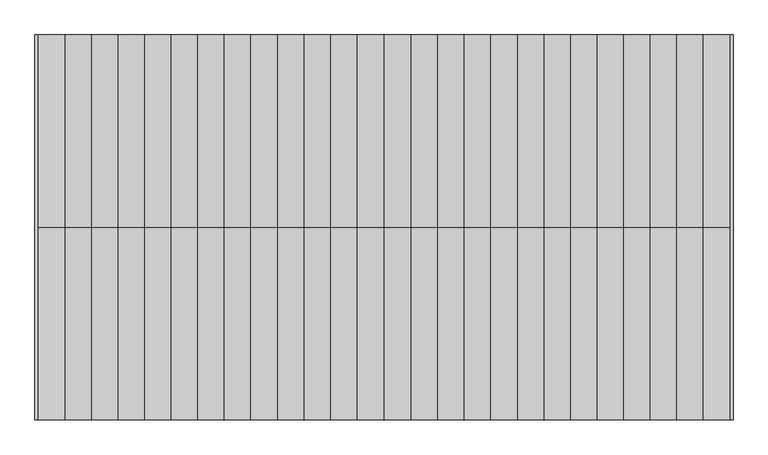
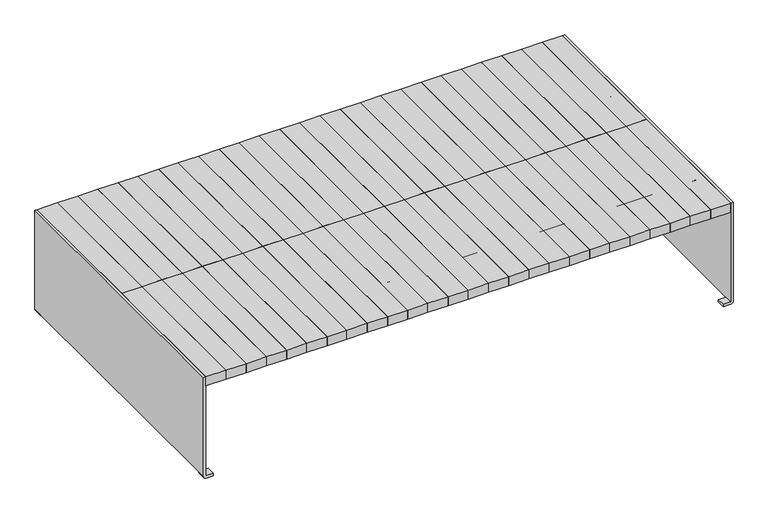
"""IFC4 building model written with IfcOpenShell, lengths in millimetres: furniture geometry."""

import ifcopenshell
import ifcopenshell.guid

model = None  # the IFC model being written
_history = None  # IfcOwnerHistory: only IFC2X3 demands one
_inside = {}  # id of a spatial element -> (the spatial element, [elements in it])
_under = {}  # id of a project, library or spatial element -> (it, [spatial elements below it])
_declared = {}  # id of a project -> (the project, [libraries it declares])
_typed = {}  # id of a type object -> (the type object, [elements of that type])
_made_of = {}  # id of a material, layer set ... -> (it, [elements and type objects made of it])


def new_model(schema):
    """Start an empty IFC model of exactly this schema.

    Asked for "IFC4X3", IfcOpenShell would pick the latest addendum, in which some entities
    have other attributes; the version numbers below select the first issue.
    IFC2X3 requires an IfcOwnerHistory on every rooted entity: one is made here for all.
    """
    global model, _history
    if schema == "IFC4X3":
        model = ifcopenshell.file(schema_version=(4, 3, 0, 0))
    else:
        model = ifcopenshell.file(schema=schema)
    _inside.clear()
    _under.clear()
    _declared.clear()
    _typed.clear()
    _made_of.clear()
    _history = None
    if model.schema == "IFC2X3":
        org = make("IfcOrganization", Name="unknown")
        user = make(
            "IfcPersonAndOrganization",
            ThePerson=make("IfcPerson", FamilyName="unknown"),
            TheOrganization=org,
        )
        app = make(
            "IfcApplication",
            ApplicationDeveloper=org,
            Version="unknown",
            ApplicationFullName="unknown",
            ApplicationIdentifier="unknown",
        )
        _history = make(
            "IfcOwnerHistory",
            OwningUser=user,
            OwningApplication=app,
            ChangeAction="ADDED",
            CreationDate=0,
        )
    return model


def make(cls, **values):
    """One entity of the class cls with the attributes given. An attribute that is None is left unset."""
    return model.create_entity(
        cls, **{name: value for name, value in values.items() if value is not None}
    )


def rooted(cls, **values):
    """An entity with a GlobalId (a new one), such as an element, a storey or a relation."""
    return make(cls, GlobalId=ifcopenshell.guid.new(), OwnerHistory=_history, **values)


def si_unit(unit_type, name, prefix=None):
    """IfcSIUnit, for example si_unit("LENGTHUNIT", "METRE", prefix="MILLI")."""
    return make("IfcSIUnit", UnitType=unit_type, Prefix=prefix, Name=name)


def assignment(units):
    """IfcUnitAssignment: the units of a project."""
    return None if units is None else make("IfcUnitAssignment", Units=units)


def point(xyz):
    """IfcCartesianPoint."""
    return None if xyz is None else make("IfcCartesianPoint", Coordinates=xyz)


def direction(xyz):
    """IfcDirection."""
    return None if xyz is None else make("IfcDirection", DirectionRatios=xyz)


def frame(location, z_axis=None, x_axis=None):
    """IfcAxis2Placement3D, a coordinate frame: its origin and axes. An axis left out is left unset."""
    return make(
        "IfcAxis2Placement3D",
        Location=point(location),
        Axis=direction(z_axis),
        RefDirection=direction(x_axis),
    )


def origin():
    """The frame at (0, 0, 0) with its axes left unset."""
    return frame((0.0, 0.0, 0.0))


def place(relative_to, where):
    """IfcLocalPlacement: puts the frame where relative to a parent placement (None: the world)."""
    return make(
        "IfcLocalPlacement", PlacementRelTo=relative_to, RelativePlacement=where
    )


def context(
    kind, dimensions, precision=None, world=None, true_north=None, identifier=None
):
    """IfcGeometricRepresentationContext, for example the 3D "Model" context."""
    return make(
        "IfcGeometricRepresentationContext",
        ContextIdentifier=identifier,
        ContextType=kind,
        CoordinateSpaceDimension=dimensions,
        Precision=precision,
        WorldCoordinateSystem=world,
        TrueNorth=true_north,
    )


def project(units=None, contexts=None):
    """IfcProject with its units and contexts."""
    return rooted(
        "IfcProject",
        Name="project",
        RepresentationContexts=contexts,
        UnitsInContext=assignment(units),
    )


def spatial(cls, under=None, at=None, **own):
    """A site, building, storey or space (cls), placed at a placement, below another one or the project."""
    s = rooted(cls, ObjectPlacement=at, **own)
    if under is not None:
        _under.setdefault(under.id(), (under, []))[1].append(s)
    return s


def polyline(points):
    """IfcPolyline through the points."""
    return make("IfcPolyline", Points=[point(p) for p in points])


def circle_curve(where, radius):
    """IfcCircle in the frame where."""
    return make("IfcCircle", Position=where, Radius=radius)


def outline(outer, holes=None, kind="AREA"):
    """IfcArbitraryClosedProfileDef: a profile drawn as a closed curve; with holes, ...WithVoids."""
    if holes is None:
        return make("IfcArbitraryClosedProfileDef", ProfileType=kind, OuterCurve=outer)
    return make(
        "IfcArbitraryProfileDefWithVoids",
        ProfileType=kind,
        OuterCurve=outer,
        InnerCurves=holes,
    )


def extrude(swept, where, along, depth):
    """IfcExtrudedAreaSolid: the profile swept, set in the frame where, extruded along a direction by depth."""
    return make(
        "IfcExtrudedAreaSolid",
        SweptArea=swept,
        Position=where,
        ExtrudedDirection=direction(along),
        Depth=depth,
    )


def shape(context_of_items, identifier, shape_type, items):
    """IfcShapeRepresentation: the items that make up one representation, for example the "Body"."""
    return make(
        "IfcShapeRepresentation",
        ContextOfItems=context_of_items,
        RepresentationIdentifier=identifier,
        RepresentationType=shape_type,
        Items=items,
    )


def source(mapping_origin, context_of_items, identifier, shape_type, items):
    """IfcRepresentationMap: a shape defined once, which mapped items show again and again."""
    return make(
        "IfcRepresentationMap",
        MappingOrigin=mapping_origin,
        MappedRepresentation=shape(context_of_items, identifier, shape_type, items),
    )


def transform(
    local_origin,
    x_axis=None,
    y_axis=None,
    z_axis=None,
    scale=None,
    scale2=None,
    scale3=None,
    uniform=True,
):
    """IfcCartesianTransformationOperator3D, or its non-uniform kind. x_axis, y_axis, z_axis: its Axis1, 2, 3."""
    if uniform:
        return make(
            "IfcCartesianTransformationOperator3D",
            Axis1=direction(x_axis),
            Axis2=direction(y_axis),
            LocalOrigin=point(local_origin),
            Scale=scale,
            Axis3=direction(z_axis),
        )
    return make(
        "IfcCartesianTransformationOperator3DnonUniform",
        Axis1=direction(x_axis),
        Axis2=direction(y_axis),
        LocalOrigin=point(local_origin),
        Scale=scale,
        Axis3=direction(z_axis),
        Scale2=scale2,
        Scale3=scale3,
    )


def mapped(mapping_source, mapping_target):
    """IfcMappedItem: shows the shape of a source again, moved by a transform."""
    return make(
        "IfcMappedItem", MappingSource=mapping_source, MappingTarget=mapping_target
    )


def made_of(thing, what):
    """Note that an element or type object is made of a material, layer set ...; save() writes the relation."""
    if what is not None:
        _made_of.setdefault(what.id(), (what, []))[1].append(thing)
    return thing


def element(
    cls,
    number,
    at=None,
    inside=None,
    cuts=None,
    type_object=None,
    material=None,
    context=None,
    identifier="Body",
    shape_type=None,
    held_by="IfcProductDefinitionShape",
    body=None,
    shapes=None,
    **own,
):
    """One element of the class cls, such as IfcWall. Its Tag is "e" and its number.

    at: its placement. inside: the storey or other place that contains it. cuts: it is an
    opening in that element (IfcRelVoidsElement). A single representation is given by context,
    identifier, shape_type and body (its items); several are given by shapes. held_by: the class
    of the entity that holds the representations. save() writes the other relations.
    """
    e = rooted(cls, Tag="e%d" % number, ObjectPlacement=at, **own)
    if body is not None:
        shapes = [shape(context, identifier, shape_type, body)]
    if shapes is not None:
        e.Representation = make(held_by, Representations=shapes)
    if inside is not None:
        _inside.setdefault(inside.id(), (inside, []))[1].append(e)
    if cuts is not None:
        rooted(
            "IfcRelVoidsElement", RelatingBuildingElement=cuts, RelatedOpeningElement=e
        )
    if type_object is not None:
        _typed.setdefault(type_object.id(), (type_object, []))[1].append(e)
    return made_of(e, material)


def aggregate(whole, parts):
    """IfcRelAggregates: a whole, such as a stair, and the parts it consists of."""
    return rooted("IfcRelAggregates", RelatingObject=whole, RelatedObjects=parts)


def save(model, path):
    """Write the relations noted so far, then the file.

    IfcRelAggregates (storeys below a building ...), IfcRelContainedInSpatialStructure (elements
    in a storey), IfcRelDefinesByType, IfcRelAssociatesMaterial and IfcRelDeclares: one each for
    every whole, place, type object, material and project.
    """
    for whole, parts in _under.values():
        aggregate(whole, parts)
    for where, things in _inside.values():
        rooted(
            "IfcRelContainedInSpatialStructure",
            RelatedElements=things,
            RelatingStructure=where,
        )
    for kind, things in _typed.values():
        rooted("IfcRelDefinesByType", RelatedObjects=things, RelatingType=kind)
    for what, things in _made_of.values():
        rooted("IfcRelAssociatesMaterial", RelatedObjects=things, RelatingMaterial=what)
    for by, libraries in _declared.values():
        rooted("IfcRelDeclares", RelatingContext=by, RelatedDefinitions=libraries)
    model.write(path)


def plane_surface(at):
    """IfcPlane: the flat surface through the origin of the frame at, square to its z axis."""
    return make("IfcPlane", Position=at)


def cylinder_surface(at, radius):
    """IfcCylindricalSurface: all points at the distance radius from the z axis of the frame at."""
    return make("IfcCylindricalSurface", Position=at, Radius=radius)


def revolved_surface(curve, axis_point, axis_direction):
    """IfcSurfaceOfRevolution: the curve turned about the line through axis_point along axis_direction."""
    return make(
        "IfcSurfaceOfRevolution",
        SweptCurve=make("IfcArbitraryOpenProfileDef", ProfileType="CURVE", Curve=curve),
        AxisPosition=make("IfcAxis1Placement", Location=point(axis_point), Axis=direction(axis_direction)),
    )


def advanced_brep(points, edges, surfaces, faces):
    """IfcAdvancedBrep: a solid bounded by faces that lie on surfaces and meet in shared edges.

    An edge is (start, end): straight between two places in points (the first is 0);
    or (start, end, curve); or (start, end, curve, False) where it runs against its curve.
    A face is (place in surfaces, loops), or (place, loops, False) where it looks against
    its surface's normal. A loop lists edges by number (the first is 1), with a minus sign
    where the edge is run from its end to its start. The first loop is the outer one.
    """
    corners = [point(p) for p in points]
    vertices = [make("IfcVertexPoint", VertexGeometry=c) for c in corners]
    made = []
    for start, end, *more in edges:
        made.append(
            make(
                "IfcEdgeCurve",
                EdgeStart=vertices[start],
                EdgeEnd=vertices[end],
                EdgeGeometry=more[0] if more else make("IfcPolyline", Points=[corners[start], corners[end]]),
                SameSense=more[1] if len(more) > 1 else True,
            )
        )
    hull = []
    for where, loops, *sense in faces:
        bounds = []
        for j, loop in enumerate(loops):
            ring = [make("IfcOrientedEdge", EdgeElement=made[abs(k) - 1], Orientation=k > 0) for k in loop]
            bounds.append(
                make(
                    "IfcFaceOuterBound" if j == 0 else "IfcFaceBound",
                    Bound=make("IfcEdgeLoop", EdgeList=ring),
                    Orientation=True,
                )
            )
        hull.append(make("IfcAdvancedFace", Bounds=bounds, FaceSurface=surfaces[where], SameSense=sense[0] if sense else True))
    return make("IfcAdvancedBrep", Outer=make("IfcClosedShell", CfsFaces=hull))


def furniture_86fcad4d(model_context):
    return source(origin(), model_context, "Body", "SolidModel", [
        advanced_brep(
        [(1073.85, 400.0, 393.1147491), (1073.85, 400.0, 347.7588499), (1073.85, 200.0, 347.7588499), (1073.85, 200.0004802, 395.6382749), (1073.85, 237.5004802, 395.6382749), (1073.85, 237.5004802, 393.1147491), (1073.85, 239.4872061, 393.1147491), (1073.85, 239.4872061, 340.151549), (1073.85, 244.4872061, 340.151549), (1073.85, 244.4872061, 393.1147491), (1073.85, 355.5132741, 393.1147491), (1073.85, 355.5132741, 340.151549), (1073.85, 360.5132741, 340.151549), (1073.85, 360.5132741, 393.1147491), (1078.85, 200.0, 347.7588499), (1078.85, 400.0, 347.7588499), (1078.85, 400.0, 393.1147491), (1078.85, 237.5004802, 393.1147491), (1078.85, 237.5004802, 400.6382749), (1078.85, 200.0004802, 400.6382749), (-1078.85, 200.0, 400.6382749), (-1078.85, 200.0, 347.7588499), (-1073.85, 200.0, 347.7588499), (-1073.85, 200.0, 395.6382749), (1073.85, 237.5004802, 400.6382749), (-1073.85, 237.5004802, 395.6382749), (-1073.85, 237.5004802, 393.1147491), (-1078.85, 237.5004802, 393.1147491), (-1078.85, 237.5004802, 395.6382749), (1073.85, 238.4872061, 400.6382749), (-1078.85, 238.4872061, 400.6382749), (-1078.85, 238.4872061, 395.6382749), (1073.85, 238.4872061, 395.6382749), (-1073.85, 400.0, 347.7588499), (-1073.85, 400.0, 393.1147491), (-1073.85, 360.5132741, 393.1147491), (-1073.85, 360.5132741, 340.151549), (-1073.85, 355.5132741, 340.151549), (-1073.85, 355.5132741, 393.1147491), (-1073.85, 244.4872061, 393.1147491), (-1073.85, 244.4872061, 340.151549), (-1073.85, 239.4872061, 340.151549), (-1073.85, 239.4872061, 393.1147491), (-1078.85, 244.4872061, 394.6382749), (-1078.85, 244.4872061, 393.1147491), (-1078.85, 355.5132741, 393.1147491), (-1078.85, 355.5132741, 394.6382749), (-1078.85, 361.5132741, 400.6382749), (-1078.85, 362.5, 400.6382749), (-1078.85, 362.5, 395.6382749), (-1078.85, 361.5132741, 395.6382749), (-1078.85, 360.5132741, 394.6382749), (-1078.85, 360.5132741, 393.1147491), (-1078.85, 400.0, 393.1147491), (-1078.85, 400.0, 347.7588499), (-1078.85, 239.4872061, 393.1147491), (-1078.85, 239.4872061, 394.6382749), (1073.85, 244.4872061, 394.6382749), (1073.85, 239.4872061, 394.6382749), (1073.85, 360.5132741, 394.6382749), (1073.85, 361.5132741, 395.6382749), (1073.85, 362.5, 395.6382749), (1073.85, 362.5, 400.6382749), (1073.85, 361.5132741, 400.6382749), (1073.85, 355.5132741, 394.6382749)],
        [
            (0, 1),
            (1, 2, circle_curve(frame((1073.85, 300.0, 421.080061), z_axis=(-1.0, 0.0, 0.0), x_axis=(0.0, 0.8064516129032312, -0.5913000896717141)), 124.0)),
            (2, 3),
            (3, 4),
            (4, 5),
            (5, 6),
            (6, 7),
            (7, 8),
            (8, 9),
            (9, 10),
            (10, 11),
            (11, 12),
            (12, 13),
            (13, 0),
            (14, 15, circle_curve(frame((1078.85, 300.0, 421.080061), z_axis=(1.0, 0.0, 0.0), x_axis=(0.0, 0.8064516129032312, -0.5913000896717141)), 124.0)),
            (15, 16),
            (16, 17),
            (17, 18),
            (18, 19),
            (19, 14),
            (2, 14),
            (19, 20),
            (20, 21),
            (21, 22),
            (22, 23),
            (23, 3),
            (16, 0),
            (13, 10),
            (9, 6),
            (5, 17),
            (15, 1),
            (4, 24),
            (24, 18),
            (25, 26),
            (26, 27),
            (27, 28),
            (28, 25),
            (24, 29),
            (29, 30),
            (30, 20),
            (23, 25),
            (28, 31),
            (31, 32),
            (32, 4),
            (22, 33, circle_curve(frame((-1073.85, 300.0, 421.080061), z_axis=(1.0, 0.0, 0.0), x_axis=(0.0, 0.8064516129032312, -0.5913000896717141)), 124.0)),
            (33, 34),
            (34, 35),
            (35, 36),
            (36, 37),
            (37, 38),
            (38, 39),
            (39, 40),
            (40, 41),
            (41, 42),
            (42, 26),
            (30, 43, circle_curve(frame((-1078.85, 238.4872061, 394.6382749), z_axis=(-1.0, 0.0, 0.0), x_axis=(0.0, -1.0, 0.0)), 6.0)),
            (43, 44),
            (44, 45),
            (45, 46),
            (46, 47, circle_curve(frame((-1078.85, 361.5132741, 394.6382749), z_axis=(-1.0, 0.0, 0.0), x_axis=(0.0, 1.0, 0.0)), 6.0)),
            (47, 48),
            (48, 49),
            (49, 50),
            (50, 51, circle_curve(frame((-1078.85, 361.5132741, 394.6382749), z_axis=(1.0, 0.0, 0.0), x_axis=(0.0, 1.0, 0.0)), 1.0)),
            (51, 52),
            (52, 53),
            (53, 54),
            (54, 21, circle_curve(frame((-1078.85, 300.0, 421.080061), z_axis=(-1.0, 0.0, 0.0), x_axis=(0.0, 0.8064516129032312, -0.5913000896717141)), 124.0)),
            (27, 55),
            (55, 56),
            (56, 31, circle_curve(frame((-1078.85, 238.4872061, 394.6382749), z_axis=(1.0, 0.0, 0.0), x_axis=(0.0, -1.0, 0.0)), 1.0)),
            (57, 29, circle_curve(frame((1073.85, 238.4872061, 394.6382749), z_axis=(1.0, 0.0, 0.0), x_axis=(0.0, -1.0, 0.0)), 6.0)),
            (32, 58, circle_curve(frame((1073.85, 238.4872061, 394.6382749), z_axis=(-1.0, 0.0, 0.0), x_axis=(0.0, -1.0, 0.0)), 1.0)),
            (58, 6),
            (9, 57),
            (7, 41),
            (40, 8),
            (43, 57),
            (39, 44),
            (56, 58),
            (55, 42),
            (59, 60, circle_curve(frame((1073.85, 361.5132741, 394.6382749), z_axis=(-1.0, 0.0, 0.0), x_axis=(0.0, 1.0, 0.0)), 1.0)),
            (60, 61),
            (61, 62),
            (62, 63),
            (63, 64, circle_curve(frame((1073.85, 361.5132741, 394.6382749), z_axis=(1.0, 0.0, 0.0), x_axis=(0.0, 1.0, 0.0)), 6.0)),
            (64, 10),
            (13, 59),
            (11, 37),
            (36, 12),
            (64, 46),
            (45, 38),
            (63, 47),
            (62, 48),
            (61, 49),
            (60, 50),
            (59, 51),
            (35, 52),
            (34, 53),
            (33, 54),
        ],
        [
            plane_surface(frame((1073.85, 200.0, 347.7588499), z_axis=(-1.0, 0.0, 0.0), x_axis=(0.0, 0.0, 1.0))),
            plane_surface(frame((1078.85, 200.0, 347.7588499), z_axis=(1.0, 0.0, 0.0), x_axis=(0.0, 0.0, -1.0))),
            plane_surface(frame((1073.85, 200.0, 347.7588499), z_axis=(0.0, -1.0, 0.0), x_axis=(1.0, 0.0, 0.0))),
            plane_surface(frame((1073.85, 200.0, 393.1147491), z_axis=(0.0, 0.0, 1.0), x_axis=(1.0, 0.0, 0.0))),
            plane_surface(frame((1073.85, 400.0, 393.1147491), z_axis=(0.0, 1.0, 0.0), x_axis=(1.0, 0.0, 0.0))),
            cylinder_surface(frame((1078.85, 300.0, 421.080061), z_axis=(-1.0000000000000002, 0.0, 0.0), x_axis=(0.0, 0.8064516129032312, -0.5913000896717141)), 124.0),
            plane_surface(frame((1073.85, 237.5004802, 393.1147491), z_axis=(0.0, 1.0, 0.0), x_axis=(0.0, 0.0, 1.0))),
            plane_surface(frame((1078.85, 200.0004802, 400.6382749), z_axis=(0.0, 0.0, 1.0), x_axis=(0.0, 1.0, 0.0))),
            plane_surface(frame((-1073.85, 200.0004802, 395.6382749), z_axis=(0.0, 0.0, -1.0), x_axis=(0.0, 1.0, 0.0))),
            plane_surface(frame((-1073.85, 200.0004802, 393.1147491), z_axis=(1.0, 0.0, 0.0), x_axis=(0.0, 1.0, 0.0))),
            plane_surface(frame((-1078.85, 200.0004802, 400.6382749), z_axis=(-1.0, 0.0, 0.0), x_axis=(0.0, 1.0, 0.0))),
            plane_surface(frame((1073.85, 239.4872061, 340.151549), z_axis=(1.0, 0.0, 0.0), x_axis=(0.0, 1.0, 0.0))),
            plane_surface(frame((1073.85, 239.4872061, 340.151549), z_axis=(0.0, 0.0, -1.0), x_axis=(-1.0, 0.0, 0.0))),
            plane_surface(frame((1073.85, 244.4872061, 340.151549), z_axis=(0.0, 1.0, 0.0), x_axis=(-1.0, 0.0, 0.0))),
            cylinder_surface(frame((-1078.85, 238.4872061, 394.6382749), z_axis=(1.0, 0.0, 0.0), x_axis=(0.0, -1.0, 0.0)), 6.0),
            revolved_surface(polyline([(-1078.85, 237.4872061, 394.6382749), (1073.85, 237.4872061, 394.6382749)]), (-1078.85, 238.4872061, 394.6382749), (-1.0, 0.0, 0.0)),
            plane_surface(frame((1073.85, 239.4872061, 394.6382749), z_axis=(0.0, -1.0, 0.0), x_axis=(-1.0, 0.0, 0.0))),
            plane_surface(frame((1073.85, 360.5132741, 394.6382749), z_axis=(1.0, 0.0, 0.0), x_axis=(0.0, 0.0, 1.0))),
            plane_surface(frame((1073.85, 355.5132741, 340.151549), z_axis=(0.0, 0.0, -1.0), x_axis=(-1.0, 0.0, 0.0))),
            plane_surface(frame((1073.85, 355.5132741, 394.6382749), z_axis=(0.0, -1.0, 0.0), x_axis=(-1.0, 0.0, 0.0))),
            cylinder_surface(frame((-1078.85, 361.5132741, 394.6382749), z_axis=(1.0, 0.0, 0.0), x_axis=(0.0, 1.0, 0.0)), 6.0),
            plane_surface(frame((1073.85, 362.5, 400.6382749), z_axis=(0.0, 0.0, 1.0), x_axis=(-1.0, 0.0, 0.0))),
            plane_surface(frame((1073.85, 362.5, 395.6382749), z_axis=(0.0, 1.0, 0.0), x_axis=(-1.0, 0.0, 0.0))),
            plane_surface(frame((1073.85, 361.5132741, 395.6382749), z_axis=(0.0, 0.0, -1.0), x_axis=(-1.0, 0.0, 0.0))),
            revolved_surface(polyline([(-1078.85, 362.5132741, 394.6382749), (1073.85, 362.5132741, 394.6382749)]), (-1078.85, 361.5132741, 394.6382749), (-1.0, 0.0, 0.0)),
            plane_surface(frame((1073.85, 360.5132741, 340.151549), z_axis=(0.0, 1.0, 0.0), x_axis=(-1.0, 0.0, 0.0))),
            plane_surface(frame((-1073.85, 400.0, 393.1147491), z_axis=(0.0, 0.0, 1.0), x_axis=(-1.0, 0.0, 0.0))),
            plane_surface(frame((-1073.85, 400.0, 347.7588499), z_axis=(0.0, 1.0, 0.0), x_axis=(-1.0, 0.0, 0.0))),
            cylinder_surface(frame((-1078.85, 300.0, 421.080061), z_axis=(1.0000000000000002, 0.0, 0.0), x_axis=(0.0, 0.8064516129032312, -0.5913000896717141)), 124.0),
        ],
        [
            (0, [[1, 2, 3, 4, 5, 6, 7, 8, 9, 10, 11, 12, 13, 14]]),
            (1, [[15, 16, 17, 18, 19, 20]]),
            (2, [[21, -20, 22, 23, 24, 25, 26, -3]]),
            (3, [[27, -14, 28, -10, 29, -6, 30, -17]]),
            (4, [[-1, -27, -16, 31]]),
            (5, [[-2, -31, -15, -21]]),
            (6, [[-18, -30, -5, 32, 33]]),
            (6, [[34, 35, 36, 37]]),
            (7, [[-22, -19, -33, 38, 39, 40]]),
            (8, [[-26, 41, -37, 42, 43, 44, -4]]),
            (9, [[-25, 45, 46, 47, 48, 49, 50, 51, 52, 53, 54, 55, -34, -41]]),
            (10, [[-23, -40, 56, 57, 58, 59, 60, 61, 62, 63, 64, 65, 66, 67, 68], [-36, 69, 70, 71, -42]]),
            (11, [[72, -38, -32, -44, 73, 74, -29, 75]]),
            (12, [[-8, 76, -53, 77]]),
            (13, [[78, -75, -9, -77, -52, 79, -57]]),
            (14, [[-72, -78, -56, -39]]),
            (15, [[-73, -43, -71, 80]]),
            (16, [[-80, -70, 81, -54, -76, -7, -74]]),
            (17, [[82, 83, 84, 85, 86, 87, -28, 88]]),
            (18, [[-12, 89, -49, 90]]),
            (19, [[91, -59, 92, -50, -89, -11, -87]]),
            (20, [[-86, 93, -60, -91]]),
            (21, [[-85, 94, -61, -93]]),
            (22, [[-84, 95, -62, -94]]),
            (23, [[-83, 96, -63, -95]]),
            (24, [[-82, 97, -64, -96]]),
            (25, [[-97, -88, -13, -90, -48, 98, -65]]),
            (26, [[-69, -35, -55, -81]]),
            (26, [[-58, -79, -51, -92]]),
            (26, [[99, -66, -98, -47]]),
            (27, [[-46, 100, -67, -99]]),
            (28, [[-45, -24, -68, -100]]),
        ],
    ),
        extrude(outline(polyline([(83.1700951, 0.0), (0.0, 0.0), (0.0, 600.0), (83.1700951, 600.0), (83.1700951, 0.0)])), frame((0.0, 0.0, 400.6382749), z_axis=(0.0, 0.0, 1.0), x_axis=(1.0, 0.0, 0.0)), (0.0, 0.0, 1.0), 39.120575),
        extrude(outline(polyline([(165.5884938, 0.0), (83.1700951, 0.0), (83.1700951, 600.0), (165.5884938, 600.0), (165.5884938, 0.0)])), frame((0.0, 0.0, 400.6382749), z_axis=(0.0, 0.0, 1.0), x_axis=(1.0, 0.0, 0.0)), (0.0, 0.0, 1.0), 39.120575),
        extrude(outline(polyline([(249.0266735, 0.0), (165.5884938, 0.0), (165.5884938, 600.0), (249.0266735, 600.0), (249.0266735, 0.0)])), frame((0.0, 0.0, 400.6382749), z_axis=(0.0, 0.0, 1.0), x_axis=(1.0, 0.0, 0.0)), (0.0, 0.0, 1.0), 39.120575),
        extrude(outline(polyline([(331.8102592, 0.0), (249.0266735, 0.0), (249.0266735, 600.0), (331.8102592, 600.0), (331.8102592, 0.0)])), frame((0.0, 0.0, 400.6382749), z_axis=(0.0, 0.0, 1.0), x_axis=(1.0, 0.0, 0.0)), (0.0, 0.0, 1.0), 39.120575),
        extrude(outline(polyline([(415.2051572, 0.0), (331.8102592, 0.0), (331.8102592, 600.0), (415.2051572, 600.0), (415.2051572, 0.0)])), frame((0.0, 0.0, 400.6382749), z_axis=(0.0, 0.0, 1.0), x_axis=(1.0, 0.0, 0.0)), (0.0, 0.0, 1.0), 39.120575),
        extrude(outline(polyline([(498.7851293, 0.0), (415.2051572, 0.0), (415.2051572, 600.0), (498.7851293, 600.0), (498.7851293, 0.0)])), frame((0.0, 0.0, 400.6382749), z_axis=(0.0, 0.0, 1.0), x_axis=(1.0, 0.0, 0.0)), (0.0, 0.0, 1.0), 39.120575),
        extrude(outline(polyline([(580.2051572, 0.0), (498.7851293, 0.0), (498.7851293, 600.0), (580.2051572, 600.0), (580.2051572, 0.0)])), frame((0.0, 0.0, 400.6382749), z_axis=(0.0, 0.0, 1.0), x_axis=(1.0, 0.0, 0.0)), (0.0, 0.0, 1.0), 39.120575),
        extrude(outline(polyline([(663.7851293, 0.0), (580.2051572, 0.0), (580.2051572, 600.0), (663.7851293, 600.0), (663.7851293, 0.0)])), frame((0.0, 0.0, 400.6382749), z_axis=(0.0, 0.0, 1.0), x_axis=(1.0, 0.0, 0.0)), (0.0, 0.0, 1.0), 39.120575),
        extrude(outline(polyline([(746.8041619, 0.0), (663.7851293, 0.0), (663.7851293, 600.0), (746.8041619, 600.0), (746.8041619, 0.0)])), frame((0.0, 0.0, 400.6382749), z_axis=(0.0, 0.0, 1.0), x_axis=(1.0, 0.0, 0.0)), (0.0, 0.0, 1.0), 39.120575),
        extrude(outline(polyline([(1078.85, 0.0), (996.3916762, 0.0), (996.3916762, 600.0), (1078.85, 600.0), (1078.85, 0.0)])), frame((0.0, 0.0, 400.6382749), z_axis=(0.0, 0.0, 1.0), x_axis=(1.0, 0.0, 0.0)), (0.0, 0.0, 1.0), 39.120575),
        extrude(outline(polyline([(996.3916762, 0.0), (913.1958381, 0.0), (913.1958381, 600.0), (996.3916762, 600.0), (996.3916762, 0.0)])), frame((0.0, 0.0, 400.6382749), z_axis=(0.0, 0.0, 1.0), x_axis=(1.0, 0.0, 0.0)), (0.0, 0.0, 1.0), 39.120575),
        extrude(outline(polyline([(913.1958381, 0.0), (830.0, 0.0), (830.0, 600.0), (913.1958381, 600.0), (913.1958381, 0.0)])), frame((0.0, 0.0, 400.6382749), z_axis=(0.0, 0.0, 1.0), x_axis=(1.0, 0.0, 0.0)), (0.0, 0.0, 1.0), 39.120575),
        extrude(outline(polyline([(830.0, 0.0), (746.8041619, 0.0), (746.8041619, 600.0), (830.0, 600.0), (830.0, 0.0)])), frame((0.0, 0.0, 400.6382749), z_axis=(0.0, 0.0, 1.0), x_axis=(1.0, 0.0, 0.0)), (0.0, 0.0, 1.0), 39.120575),
        extrude(outline(polyline([(-83.1700951, 0.0), (-83.1700951, 600.0), (0.0, 600.0), (0.0, 0.0), (-83.1700951, 0.0)])), frame((0.0, 0.0, 400.6382749), z_axis=(0.0, 0.0, 1.0), x_axis=(1.0, 0.0, 0.0)), (0.0, 0.0, 1.0), 39.120575),
        extrude(outline(polyline([(-165.5884938, 0.0), (-165.5884938, 600.0), (-83.1700951, 600.0), (-83.1700951, 0.0), (-165.5884938, 0.0)])), frame((0.0, 0.0, 400.6382749), z_axis=(0.0, 0.0, 1.0), x_axis=(1.0, 0.0, 0.0)), (0.0, 0.0, 1.0), 39.120575),
        extrude(outline(polyline([(-249.0266735, 0.0), (-249.0266735, 600.0), (-165.5884938, 600.0), (-165.5884938, 0.0), (-249.0266735, 0.0)])), frame((0.0, 0.0, 400.6382749), z_axis=(0.0, 0.0, 1.0), x_axis=(1.0, 0.0, 0.0)), (0.0, 0.0, 1.0), 39.120575),
        extrude(outline(polyline([(-331.8102592, 0.0), (-331.8102592, 600.0), (-249.0266735, 600.0), (-249.0266735, 0.0), (-331.8102592, 0.0)])), frame((0.0, 0.0, 400.6382749), z_axis=(0.0, 0.0, 1.0), x_axis=(1.0, 0.0, 0.0)), (0.0, 0.0, 1.0), 39.120575),
        extrude(outline(polyline([(-415.2051572, 0.0), (-415.2051572, 600.0), (-331.8102592, 600.0), (-331.8102592, 0.0), (-415.2051572, 0.0)])), frame((0.0, 0.0, 400.6382749), z_axis=(0.0, 0.0, 1.0), x_axis=(1.0, 0.0, 0.0)), (0.0, 0.0, 1.0), 39.120575),
        extrude(outline(polyline([(-498.7851293, 0.0), (-498.7851293, 600.0), (-415.2051572, 600.0), (-415.2051572, 0.0), (-498.7851293, 0.0)])), frame((0.0, 0.0, 400.6382749), z_axis=(0.0, 0.0, 1.0), x_axis=(1.0, 0.0, 0.0)), (0.0, 0.0, 1.0), 39.120575),
        extrude(outline(polyline([(-580.2051572, 0.0), (-580.2051572, 600.0), (-498.7851293, 600.0), (-498.7851293, 0.0), (-580.2051572, 0.0)])), frame((0.0, 0.0, 400.6382749), z_axis=(0.0, 0.0, 1.0), x_axis=(1.0, 0.0, 0.0)), (0.0, 0.0, 1.0), 39.120575),
        extrude(outline(polyline([(-663.7851293, 0.0), (-663.7851293, 600.0), (-580.2051572, 600.0), (-580.2051572, 0.0), (-663.7851293, 0.0)])), frame((0.0, 0.0, 400.6382749), z_axis=(0.0, 0.0, 1.0), x_axis=(1.0, 0.0, 0.0)), (0.0, 0.0, 1.0), 39.120575),
        extrude(outline(polyline([(-746.8041619, 0.0), (-746.8041619, 600.0), (-663.7851293, 600.0), (-663.7851293, 0.0), (-746.8041619, 0.0)])), frame((0.0, 0.0, 400.6382749), z_axis=(0.0, 0.0, 1.0), x_axis=(1.0, 0.0, 0.0)), (0.0, 0.0, 1.0), 39.120575),
        extrude(outline(polyline([(-1078.85, 0.0), (-1078.85, 600.0), (-996.3916762, 600.0), (-996.3916762, 0.0), (-1078.85, 0.0)])), frame((0.0, 0.0, 400.6382749), z_axis=(0.0, 0.0, 1.0), x_axis=(1.0, 0.0, 0.0)), (0.0, 0.0, 1.0), 39.120575),
        extrude(outline(polyline([(-996.3916762, 0.0), (-996.3916762, 600.0), (-913.1958381, 600.0), (-913.1958381, 0.0), (-996.3916762, 0.0)])), frame((0.0, 0.0, 400.6382749), z_axis=(0.0, 0.0, 1.0), x_axis=(1.0, 0.0, 0.0)), (0.0, 0.0, 1.0), 39.120575),
        extrude(outline(polyline([(-913.1958381, 0.0), (-913.1958381, 600.0), (-830.0, 600.0), (-830.0, 0.0), (-913.1958381, 0.0)])), frame((0.0, 0.0, 400.6382749), z_axis=(0.0, 0.0, 1.0), x_axis=(1.0, 0.0, 0.0)), (0.0, 0.0, 1.0), 39.120575),
        extrude(outline(polyline([(-830.0, 0.0), (-830.0, 600.0), (-746.8041619, 600.0), (-746.8041619, 0.0), (-830.0, 0.0)])), frame((0.0, 0.0, 400.6382749), z_axis=(0.0, 0.0, 1.0), x_axis=(1.0, 0.0, 0.0)), (0.0, 0.0, 1.0), 39.120575),
        extrude(outline(polyline([(83.1700951, 0.0), (83.1700951, -600.0), (0.0, -600.0), (0.0, 0.0), (83.1700951, 0.0)])), frame((0.0, 0.0, 400.6382749), z_axis=(0.0, 0.0, 1.0), x_axis=(1.0, 0.0, 0.0)), (0.0, 0.0, 1.0), 39.120575),
        extrude(outline(polyline([(165.5884938, 0.0), (165.5884938, -600.0), (83.1700951, -600.0), (83.1700951, 0.0), (165.5884938, 0.0)])), frame((0.0, 0.0, 400.6382749), z_axis=(0.0, 0.0, 1.0), x_axis=(1.0, 0.0, 0.0)), (0.0, 0.0, 1.0), 39.120575),
        extrude(outline(polyline([(249.0266735, 0.0), (249.0266735, -600.0), (165.5884938, -600.0), (165.5884938, 0.0), (249.0266735, 0.0)])), frame((0.0, 0.0, 400.6382749), z_axis=(0.0, 0.0, 1.0), x_axis=(1.0, 0.0, 0.0)), (0.0, 0.0, 1.0), 39.120575),
        extrude(outline(polyline([(331.8102592, 0.0), (331.8102592, -600.0), (249.0266735, -600.0), (249.0266735, 0.0), (331.8102592, 0.0)])), frame((0.0, 0.0, 400.6382749), z_axis=(0.0, 0.0, 1.0), x_axis=(1.0, 0.0, 0.0)), (0.0, 0.0, 1.0), 39.120575),
        extrude(outline(polyline([(415.2051572, 0.0), (415.2051572, -600.0), (331.8102592, -600.0), (331.8102592, 0.0), (415.2051572, 0.0)])), frame((0.0, 0.0, 400.6382749), z_axis=(0.0, 0.0, 1.0), x_axis=(1.0, 0.0, 0.0)), (0.0, 0.0, 1.0), 39.120575),
        extrude(outline(polyline([(498.7851293, 0.0), (498.7851293, -600.0), (415.2051572, -600.0), (415.2051572, 0.0), (498.7851293, 0.0)])), frame((0.0, 0.0, 400.6382749), z_axis=(0.0, 0.0, 1.0), x_axis=(1.0, 0.0, 0.0)), (0.0, 0.0, 1.0), 39.120575),
        extrude(outline(polyline([(580.2051572, 0.0), (580.2051572, -600.0), (498.7851293, -600.0), (498.7851293, 0.0), (580.2051572, 0.0)])), frame((0.0, 0.0, 400.6382749), z_axis=(0.0, 0.0, 1.0), x_axis=(1.0, 0.0, 0.0)), (0.0, 0.0, 1.0), 39.120575),
        extrude(outline(polyline([(663.7851293, 0.0), (663.7851293, -600.0), (580.2051572, -600.0), (580.2051572, 0.0), (663.7851293, 0.0)])), frame((0.0, 0.0, 400.6382749), z_axis=(0.0, 0.0, 1.0), x_axis=(1.0, 0.0, 0.0)), (0.0, 0.0, 1.0), 39.120575),
        extrude(outline(polyline([(746.8041619, 0.0), (746.8041619, -600.0), (663.7851293, -600.0), (663.7851293, 0.0), (746.8041619, 0.0)])), frame((0.0, 0.0, 400.6382749), z_axis=(0.0, 0.0, 1.0), x_axis=(1.0, 0.0, 0.0)), (0.0, 0.0, 1.0), 39.120575),
        extrude(outline(polyline([(1078.85, 0.0), (1078.85, -600.0), (996.3916762, -600.0), (996.3916762, 0.0), (1078.85, 0.0)])), frame((0.0, 0.0, 400.6382749), z_axis=(0.0, 0.0, 1.0), x_axis=(1.0, 0.0, 0.0)), (0.0, 0.0, 1.0), 39.120575),
        extrude(outline(polyline([(996.3916762, 0.0), (996.3916762, -600.0), (913.1958381, -600.0), (913.1958381, 0.0), (996.3916762, 0.0)])), frame((0.0, 0.0, 400.6382749), z_axis=(0.0, 0.0, 1.0), x_axis=(1.0, 0.0, 0.0)), (0.0, 0.0, 1.0), 39.120575),
        extrude(outline(polyline([(913.1958381, 0.0), (913.1958381, -600.0), (830.0, -600.0), (830.0, 0.0), (913.1958381, 0.0)])), frame((0.0, 0.0, 400.6382749), z_axis=(0.0, 0.0, 1.0), x_axis=(1.0, 0.0, 0.0)), (0.0, 0.0, 1.0), 39.120575),
        extrude(outline(polyline([(830.0, 0.0), (830.0, -600.0), (746.8041619, -600.0), (746.8041619, 0.0), (830.0, 0.0)])), frame((0.0, 0.0, 400.6382749), z_axis=(0.0, 0.0, 1.0), x_axis=(1.0, 0.0, 0.0)), (0.0, 0.0, 1.0), 39.120575),
        extrude(outline(polyline([(-83.1700951, 0.0), (0.0, 0.0), (0.0, -600.0), (-83.1700951, -600.0), (-83.1700951, 0.0)])), frame((0.0, 0.0, 400.6382749), z_axis=(0.0, 0.0, 1.0), x_axis=(1.0, 0.0, 0.0)), (0.0, 0.0, 1.0), 39.120575),
        extrude(outline(polyline([(-165.5884938, 0.0), (-83.1700951, 0.0), (-83.1700951, -600.0), (-165.5884938, -600.0), (-165.5884938, 0.0)])), frame((0.0, 0.0, 400.6382749), z_axis=(0.0, 0.0, 1.0), x_axis=(1.0, 0.0, 0.0)), (0.0, 0.0, 1.0), 39.120575),
        extrude(outline(polyline([(-249.0266735, 0.0), (-165.5884938, 0.0), (-165.5884938, -600.0), (-249.0266735, -600.0), (-249.0266735, 0.0)])), frame((0.0, 0.0, 400.6382749), z_axis=(0.0, 0.0, 1.0), x_axis=(1.0, 0.0, 0.0)), (0.0, 0.0, 1.0), 39.120575),
        extrude(outline(polyline([(-331.8102592, 0.0), (-249.0266735, 0.0), (-249.0266735, -600.0), (-331.8102592, -600.0), (-331.8102592, 0.0)])), frame((0.0, 0.0, 400.6382749), z_axis=(0.0, 0.0, 1.0), x_axis=(1.0, 0.0, 0.0)), (0.0, 0.0, 1.0), 39.120575),
        extrude(outline(polyline([(-415.2051572, 0.0), (-331.8102592, 0.0), (-331.8102592, -600.0), (-415.2051572, -600.0), (-415.2051572, 0.0)])), frame((0.0, 0.0, 400.6382749), z_axis=(0.0, 0.0, 1.0), x_axis=(1.0, 0.0, 0.0)), (0.0, 0.0, 1.0), 39.120575),
        extrude(outline(polyline([(-498.7851293, 0.0), (-415.2051572, 0.0), (-415.2051572, -600.0), (-498.7851293, -600.0), (-498.7851293, 0.0)])), frame((0.0, 0.0, 400.6382749), z_axis=(0.0, 0.0, 1.0), x_axis=(1.0, 0.0, 0.0)), (0.0, 0.0, 1.0), 39.120575),
        extrude(outline(polyline([(-580.2051572, 0.0), (-498.7851293, 0.0), (-498.7851293, -600.0), (-580.2051572, -600.0), (-580.2051572, 0.0)])), frame((0.0, 0.0, 400.6382749), z_axis=(0.0, 0.0, 1.0), x_axis=(1.0, 0.0, 0.0)), (0.0, 0.0, 1.0), 39.120575),
        extrude(outline(polyline([(-663.7851293, 0.0), (-580.2051572, 0.0), (-580.2051572, -600.0), (-663.7851293, -600.0), (-663.7851293, 0.0)])), frame((0.0, 0.0, 400.6382749), z_axis=(0.0, 0.0, 1.0), x_axis=(1.0, 0.0, 0.0)), (0.0, 0.0, 1.0), 39.120575),
        extrude(outline(polyline([(-746.8041619, 0.0), (-663.7851293, 0.0), (-663.7851293, -600.0), (-746.8041619, -600.0), (-746.8041619, 0.0)])), frame((0.0, 0.0, 400.6382749), z_axis=(0.0, 0.0, 1.0), x_axis=(1.0, 0.0, 0.0)), (0.0, 0.0, 1.0), 39.120575),
        extrude(outline(polyline([(-1078.85, 0.0), (-996.3916762, 0.0), (-996.3916762, -600.0), (-1078.85, -600.0), (-1078.85, 0.0)])), frame((0.0, 0.0, 400.6382749), z_axis=(0.0, 0.0, 1.0), x_axis=(1.0, 0.0, 0.0)), (0.0, 0.0, 1.0), 39.120575),
        extrude(outline(polyline([(-996.3916762, 0.0), (-913.1958381, 0.0), (-913.1958381, -600.0), (-996.3916762, -600.0), (-996.3916762, 0.0)])), frame((0.0, 0.0, 400.6382749), z_axis=(0.0, 0.0, 1.0), x_axis=(1.0, 0.0, 0.0)), (0.0, 0.0, 1.0), 39.120575),
        extrude(outline(polyline([(-913.1958381, 0.0), (-830.0, 0.0), (-830.0, -600.0), (-913.1958381, -600.0), (-913.1958381, 0.0)])), frame((0.0, 0.0, 400.6382749), z_axis=(0.0, 0.0, 1.0), x_axis=(1.0, 0.0, 0.0)), (0.0, 0.0, 1.0), 39.120575),
        extrude(outline(polyline([(-830.0, 0.0), (-746.8041619, 0.0), (-746.8041619, -600.0), (-830.0, -600.0), (-830.0, 0.0)])), frame((0.0, 0.0, 400.6382749), z_axis=(0.0, 0.0, 1.0), x_axis=(1.0, 0.0, 0.0)), (0.0, 0.0, 1.0), 39.120575),
        extrude(outline(polyline([(395.6382749, 1073.85), (393.1147491, 1073.85), (393.1147491, 1078.85), (400.6382749, 1078.85), (400.6382749, -1078.85), (393.1147491, -1078.85), (393.1147491, -1073.85), (395.6382749, -1073.85), (395.6382749, 1073.85)])), frame((0.0, 362.5, 0.0), z_axis=(0.0, 1.0, 0.0), x_axis=(0.0, 0.0, 1.0)), (0.0, 0.0, 1.0), 37.5),
        advanced_brep(
        [(1088.85, 600.0, 10.0), (1077.85, 600.0, 0.0), (1048.0911501, 600.0, 0.0), (1048.0911501, 600.0, 10.0), (1078.85, 600.0, 10.0), (1078.85, 600.0, 439.7588499), (1088.85, 600.0, 439.7588499), (1078.85, 565.0, 10.0), (1048.0911501, 565.0, 10.0), (1048.0911501, 565.0, 0.0), (1077.85, 565.0, 0.0), (1088.85, 565.0, 10.0), (1078.85, -600.0, 10.0), (1078.85, -600.0, 439.7588499), (1078.85, -565.0, 10.0), (1088.85, -600.0, 439.7588499), (1088.85, -600.0, 10.0), (1088.85, -565.0, 10.0), (1048.0911501, -600.0, 10.0), (1048.0911501, -600.0, 0.0), (1077.85, -600.0, 0.0), (1077.85, -565.0, 0.0), (1048.0911501, -565.0, 0.0), (1048.0911501, -565.0, 10.0)],
        [
            (0, 1, circle_curve(frame((1078.8045455, 600.0, 10.0), z_axis=(0.0, 1.0, 0.0), x_axis=(1.0, 0.0, 0.0)), 10.0454545)),
            (1, 2),
            (2, 3),
            (3, 4),
            (4, 5),
            (5, 6),
            (6, 0),
            (7, 8),
            (8, 9),
            (9, 10),
            (10, 11, circle_curve(frame((1078.8045455, 565.0, 10.0), z_axis=(0.0, -1.0, 0.0), x_axis=(1.0, 0.0, 0.0)), 10.0454545)),
            (11, 7),
            (3, 8),
            (7, 4),
            (2, 9),
            (1, 10),
            (0, 11),
            (12, 13),
            (13, 5),
            (7, 14),
            (14, 12),
            (6, 15),
            (15, 16),
            (16, 17),
            (17, 11),
            (13, 15),
            (12, 18),
            (18, 19),
            (19, 20),
            (20, 16, circle_curve(frame((1078.8045455, -600.0, 10.0), z_axis=(0.0, -1.0, 0.0), x_axis=(1.0, 0.0, 0.0)), 10.0454545)),
            (17, 14),
            (17, 21, circle_curve(frame((1078.8045455, -565.0, 10.0), z_axis=(0.0, 1.0, 0.0), x_axis=(1.0, 0.0, 0.0)), 10.0454545)),
            (21, 22),
            (22, 23),
            (23, 14),
            (23, 18),
            (22, 19),
            (21, 20),
        ],
        [
            plane_surface(frame((1078.85, 600.0, 10.0), z_axis=(0.0, 1.0, 0.0), x_axis=(1.0, 0.0, 0.0))),
            plane_surface(frame((1078.85, 565.0, 10.0), z_axis=(0.0, -1.0, 0.0), x_axis=(-1.0, 0.0, 0.0))),
            plane_surface(frame((1048.0911501, 600.0, 10.0), z_axis=(0.0, 0.0, 1.0), x_axis=(0.0, -1.0, 0.0))),
            plane_surface(frame((1048.0911501, 600.0, 0.0), z_axis=(-1.0, 0.0, 0.0), x_axis=(0.0, -1.0, 0.0))),
            plane_surface(frame((1077.85, 600.0, 0.0), z_axis=(0.0, 0.0, -1.0), x_axis=(0.0, -1.0, 0.0))),
            cylinder_surface(frame((1078.8045455, 565.0, 10.0), z_axis=(0.0, 1.0, 0.0), x_axis=(1.0, 0.0, 0.0)), 10.0454545),
            plane_surface(frame((1078.85, 200.0, 10.0), z_axis=(-1.0, 0.0, 0.0), x_axis=(0.0, -1.0, 0.0))),
            plane_surface(frame((1088.85, 200.0, 10.0), z_axis=(1.0, 0.0, 0.0), x_axis=(0.0, 1.0, 0.0))),
            plane_surface(frame((1078.85, -600.0, 439.7588499), z_axis=(0.0, 0.0, 1.0), x_axis=(1.0, 0.0, 0.0))),
            plane_surface(frame((1078.85, -600.0, 10.0), z_axis=(0.0, -1.0, 0.0), x_axis=(1.0, 0.0, 0.0))),
            plane_surface(frame((1078.85, 600.0, 10.0), z_axis=(0.0, 0.0, -1.0), x_axis=(1.0, 0.0, 0.0))),
            plane_surface(frame((1048.0911501, -565.0, 10.0), z_axis=(0.0, 1.0, 0.0), x_axis=(1.0, 0.0, 0.0))),
            plane_surface(frame((1078.85, -600.0, 10.0), z_axis=(0.0, 0.0, 1.0), x_axis=(0.0, 1.0, 0.0))),
            plane_surface(frame((1048.0911501, -600.0, 10.0), z_axis=(-1.0, 0.0, 0.0), x_axis=(0.0, 1.0, 0.0))),
            plane_surface(frame((1048.0911501, -600.0, 0.0), z_axis=(0.0, 0.0, -1.0), x_axis=(0.0, 1.0, 0.0))),
            cylinder_surface(frame((1078.8045455, -565.0, 10.0), z_axis=(0.0, -1.0, 0.0), x_axis=(1.0, 0.0, 0.0)), 10.0454545),
        ],
        [
            (0, [[1, 2, 3, 4, 5, 6, 7]]),
            (1, [[8, 9, 10, 11, 12]]),
            (2, [[-4, 13, -8, 14]]),
            (3, [[-3, 15, -9, -13]]),
            (4, [[-2, 16, -10, -15]]),
            (5, [[-1, 17, -11, -16]]),
            (6, [[18, 19, -5, -14, 20, 21]]),
            (7, [[-7, 22, 23, 24, 25, -17]]),
            (8, [[-19, 26, -22, -6]]),
            (9, [[-18, 27, 28, 29, 30, -23, -26]]),
            (10, [[-12, -25, 31, -20]]),
            (11, [[32, 33, 34, 35, -31]]),
            (12, [[-27, -21, -35, 36]]),
            (13, [[-28, -36, -34, 37]]),
            (14, [[-29, -37, -33, 38]]),
            (15, [[-30, -38, -32, -24]]),
        ],
    ),
        advanced_brep(
        [(-1078.85, 600.0, 10.0), (-1048.0911501, 600.0, 10.0), (-1048.0911501, 600.0, 0.0), (-1077.85, 600.0, 0.0), (-1088.85, 600.0, 10.0), (-1088.85, 600.0, 439.7588499), (-1078.85, 600.0, 439.7588499), (-1088.85, 565.0, 10.0), (-1077.85, 565.0, 0.0), (-1048.0911501, 565.0, 0.0), (-1048.0911501, 565.0, 10.0), (-1078.85, 565.0, 10.0), (-1078.85, -600.0, 439.7588499), (-1078.85, -600.0, 10.0), (-1078.85, -565.0, 10.0), (-1088.85, -600.0, 10.0), (-1088.85, -600.0, 439.7588499), (-1088.85, -565.0, 10.0), (-1077.85, -600.0, 0.0), (-1048.0911501, -600.0, 0.0), (-1048.0911501, -600.0, 10.0), (-1048.0911501, -565.0, 10.0), (-1048.0911501, -565.0, 0.0), (-1077.85, -565.0, 0.0)],
        [
            (0, 1),
            (1, 2),
            (2, 3),
            (3, 4, circle_curve(frame((-1078.8045455, 600.0, 10.0), z_axis=(0.0, 1.0, 0.0), x_axis=(-1.0, 0.0, 0.0)), 10.0454545)),
            (4, 5),
            (5, 6),
            (6, 0),
            (7, 8, circle_curve(frame((-1078.8045455, 565.0, 10.0), z_axis=(0.0, -1.0, 0.0), x_axis=(-1.0, 0.0, 0.0)), 10.0454545)),
            (8, 9),
            (9, 10),
            (10, 11),
            (11, 7),
            (0, 11),
            (10, 1),
            (9, 2),
            (8, 3),
            (7, 4),
            (6, 12),
            (12, 13),
            (13, 14),
            (14, 11),
            (15, 16),
            (16, 5),
            (7, 17),
            (17, 15),
            (16, 12),
            (15, 18, circle_curve(frame((-1078.8045455, -600.0, 10.0), z_axis=(0.0, -1.0, 0.0), x_axis=(-1.0, 0.0, 0.0)), 10.0454545)),
            (18, 19),
            (19, 20),
            (20, 13),
            (14, 17),
            (14, 21),
            (21, 22),
            (22, 23),
            (23, 17, circle_curve(frame((-1078.8045455, -565.0, 10.0), z_axis=(0.0, 1.0, 0.0), x_axis=(-1.0, 0.0, 0.0)), 10.0454545)),
            (20, 21),
            (19, 22),
            (18, 23),
        ],
        [
            plane_surface(frame((-1048.0911501, 600.0, 10.0), z_axis=(0.0, 1.0, 0.0), x_axis=(1.0, 0.0, 0.0))),
            plane_surface(frame((-1048.0911501, 565.0, 10.0), z_axis=(0.0, -1.0, 0.0), x_axis=(-1.0, 0.0, 0.0))),
            plane_surface(frame((-1078.85, 600.0, 10.0), z_axis=(0.0, 0.0, 1.0), x_axis=(0.0, -1.0, 0.0))),
            plane_surface(frame((-1048.0911501, 600.0, 10.0), z_axis=(1.0, 0.0, 0.0), x_axis=(0.0, -1.0, 0.0))),
            plane_surface(frame((-1048.0911501, 600.0, 0.0), z_axis=(0.0, 0.0, -1.0), x_axis=(0.0, -1.0, 0.0))),
            cylinder_surface(frame((-1078.8045455, 565.0, 10.0), z_axis=(0.0, 1.0, 0.0), x_axis=(-1.0, 0.0, 0.0)), 10.0454545),
            plane_surface(frame((-1078.85, 600.0, 11.0), z_axis=(1.0, 0.0, 0.0), x_axis=(0.0, 0.0, 1.0))),
            plane_surface(frame((-1088.85, 600.0, 11.0), z_axis=(-1.0, 0.0, 0.0), x_axis=(0.0, 0.0, -1.0))),
            plane_surface(frame((-1078.85, 600.0, 439.7588499), z_axis=(0.0, 0.0, 1.0), x_axis=(-1.0, 0.0, 0.0))),
            plane_surface(frame((-1078.85, -600.0, 439.7588499), z_axis=(0.0, -1.0, 0.0), x_axis=(-1.0, 0.0, 0.0))),
            plane_surface(frame((-1078.85, -600.0, 10.0), z_axis=(0.0, 0.0, -1.0), x_axis=(-1.0, 0.0, 0.0))),
            plane_surface(frame((-1078.85, -565.0, 10.0), z_axis=(0.0, 1.0, 0.0), x_axis=(1.0, 0.0, 0.0))),
            plane_surface(frame((-1048.0911501, -600.0, 10.0), z_axis=(0.0, 0.0, 1.0), x_axis=(0.0, 1.0, 0.0))),
            plane_surface(frame((-1048.0911501, -600.0, 0.0), z_axis=(1.0, 0.0, 0.0), x_axis=(0.0, 1.0, 0.0))),
            plane_surface(frame((-1077.85, -600.0, 0.0), z_axis=(0.0, 0.0, -1.0), x_axis=(0.0, 1.0, 0.0))),
            cylinder_surface(frame((-1078.8045455, -565.0, 10.0), z_axis=(0.0, -1.0, 0.0), x_axis=(-1.0, 0.0, 0.0)), 10.0454545),
        ],
        [
            (0, [[1, 2, 3, 4, 5, 6, 7]]),
            (1, [[8, 9, 10, 11, 12]]),
            (2, [[-1, 13, -11, 14]]),
            (3, [[-2, -14, -10, 15]]),
            (4, [[-3, -15, -9, 16]]),
            (5, [[-4, -16, -8, 17]]),
            (6, [[-7, 18, 19, 20, 21, -13]]),
            (7, [[22, 23, -5, -17, 24, 25]]),
            (8, [[-18, -6, -23, 26]]),
            (9, [[-19, -26, -22, 27, 28, 29, 30]]),
            (10, [[-12, -21, 31, -24]]),
            (11, [[32, 33, 34, 35, -31]]),
            (12, [[-30, 36, -32, -20]]),
            (13, [[-29, 37, -33, -36]]),
            (14, [[-28, 38, -34, -37]]),
            (15, [[-27, -25, -35, -38]]),
        ],
    ),
        advanced_brep(
        [(1073.85, -239.4872061, 394.6382749), (1073.85, -238.4872061, 395.6382749), (1073.85, -237.5004802, 395.6382749), (1073.85, -237.5004802, 400.6382749), (1073.85, -238.4872061, 400.6382749), (1073.85, -244.4872061, 394.6382749), (1073.85, -244.4872061, 393.1147491), (1073.85, -239.4872061, 393.1147491), (-1078.85, -244.4872061, 394.6382749), (-1078.85, -238.4872061, 400.6382749), (-1078.85, -200.0004802, 400.6382749), (-1078.85, -200.0, 347.7588499), (-1078.85, -400.0, 347.7588499), (-1078.85, -400.0, 400.6382749), (-1078.85, -361.5132741, 400.6382749), (-1078.85, -355.5132741, 394.6382749), (-1078.85, -355.5132741, 393.1147491), (-1078.85, -244.4872061, 393.1147491), (-1078.85, -237.5004802, 395.6382749), (-1078.85, -238.4872061, 395.6382749), (-1078.85, -239.4872061, 394.6382749), (-1078.85, -239.4872061, 393.1147491), (-1078.85, -237.5004802, 393.1147491), (-1078.85, -360.5132741, 394.6382749), (-1078.85, -361.5132741, 395.6382749), (-1078.85, -362.5, 395.6382749), (-1078.85, -362.5, 393.1147491), (-1078.85, -360.5132741, 393.1147491), (1073.85, -244.4872061, 340.151549), (-1073.85, -244.4872061, 340.151549), (-1073.85, -239.4872061, 340.151549), (1073.85, -239.4872061, 340.151549), (-1073.85, -244.4872061, 393.1147491), (1078.85, -237.5004802, 400.6382749), (1078.85, -200.0004802, 400.6382749), (-1073.85, -237.5004802, 395.6382749), (-1073.85, -200.0004802, 395.6382749), (1073.85, -200.0004802, 395.6382749), (-1073.85, -239.4872061, 393.1147491), (1073.85, -400.0, 347.7588499), (1078.85, -400.0, 347.7588499), (1078.85, -400.0, 400.6382749), (-1073.85, -400.0, 347.7588499), (-1073.85, -400.0, 395.6382749), (1073.85, -400.0, 395.6382749), (-1073.85, -362.5, 395.6382749), (-1073.85, -362.5, 393.1147491), (1078.85, -362.5, 400.6382749), (1078.85, -362.5, 393.1147491), (1073.85, -362.5, 393.1147491), (1073.85, -362.5, 395.6382749), (1073.85, -362.5, 400.6382749), (1073.85, -361.5132741, 400.6382749), (1073.85, -361.5132741, 395.6382749), (-1073.85, -200.0, 347.7588499), (-1073.85, -237.5004802, 393.1147491), (-1073.85, -355.5132741, 393.1147491), (-1073.85, -355.5132741, 340.151549), (-1073.85, -360.5132741, 340.151549), (-1073.85, -360.5132741, 393.1147491), (1073.85, -355.5132741, 394.6382749), (1073.85, -360.5132741, 394.6382749), (1073.85, -360.5132741, 393.1147491), (1073.85, -355.5132741, 393.1147491), (1073.85, -360.5132741, 340.151549), (1073.85, -355.5132741, 340.151549), (1078.85, -200.0004802, 347.7588499), (1073.85, -200.0004802, 347.7588499), (1073.85, -237.5004802, 393.1147491), (1078.85, -237.5004802, 393.1147491)],
        [
            (0, 1, circle_curve(frame((1073.85, -238.4872061, 394.6382749), z_axis=(-1.0, 0.0, 0.0), x_axis=(0.0, 1.0, 0.0)), 1.0)),
            (1, 2),
            (2, 3),
            (3, 4),
            (4, 5, circle_curve(frame((1073.85, -238.4872061, 394.6382749), z_axis=(1.0, 0.0, 0.0), x_axis=(0.0, 1.0, 0.0)), 6.0)),
            (5, 6),
            (6, 7),
            (7, 0),
            (8, 9, circle_curve(frame((-1078.85, -238.4872061, 394.6382749), z_axis=(-1.0, 0.0, 0.0), x_axis=(0.0, 1.0, 0.0)), 6.0)),
            (9, 10),
            (10, 11),
            (11, 12, circle_curve(frame((-1078.85, -300.0, 421.080061), z_axis=(-1.0, 0.0, 0.0), x_axis=(0.0, -0.8064516129032312, -0.5913000896717141)), 124.0)),
            (12, 13),
            (13, 14),
            (14, 15, circle_curve(frame((-1078.85, -361.5132741, 394.6382749), z_axis=(-1.0, 0.0, 0.0), x_axis=(0.0, -1.0, 0.0)), 6.0)),
            (15, 16),
            (16, 17),
            (17, 8),
            (18, 19),
            (19, 20, circle_curve(frame((-1078.85, -238.4872061, 394.6382749), z_axis=(1.0, 0.0, 0.0), x_axis=(0.0, 1.0, 0.0)), 1.0)),
            (20, 21),
            (21, 22),
            (22, 18),
            (23, 24, circle_curve(frame((-1078.85, -361.5132741, 394.6382749), z_axis=(1.0, 0.0, 0.0), x_axis=(0.0, -1.0, 0.0)), 1.0)),
            (24, 25),
            (25, 26),
            (26, 27),
            (27, 23),
            (28, 29),
            (29, 30),
            (30, 31),
            (31, 28),
            (5, 8),
            (17, 32),
            (32, 29),
            (28, 6),
            (4, 9),
            (3, 33),
            (33, 34),
            (34, 10),
            (1, 19),
            (18, 35),
            (35, 36),
            (36, 37),
            (37, 2),
            (0, 20),
            (7, 31),
            (30, 38),
            (38, 21),
            (39, 40),
            (40, 41),
            (41, 13),
            (12, 42),
            (42, 43),
            (43, 44),
            (44, 39),
            (45, 46),
            (46, 26),
            (25, 45),
            (47, 48),
            (48, 49),
            (49, 50),
            (50, 51),
            (51, 47),
            (41, 47),
            (51, 52),
            (52, 14),
            (43, 45),
            (24, 53),
            (53, 50),
            (50, 44),
            (42, 54, circle_curve(frame((-1073.85, -300.0, 421.080061), z_axis=(1.0, 0.0, 0.0), x_axis=(0.0, -0.8064516129032312, -0.5913000896717141)), 124.0)),
            (54, 36),
            (35, 55),
            (55, 38),
            (32, 56),
            (56, 57),
            (57, 58),
            (58, 59),
            (59, 46),
            (60, 52, circle_curve(frame((1073.85, -361.5132741, 394.6382749), z_axis=(1.0, 0.0, 0.0), x_axis=(0.0, -1.0, 0.0)), 6.0)),
            (53, 61, circle_curve(frame((1073.85, -361.5132741, 394.6382749), z_axis=(-1.0, 0.0, 0.0), x_axis=(0.0, -1.0, 0.0)), 1.0)),
            (61, 62),
            (62, 63),
            (63, 60),
            (64, 58),
            (57, 65),
            (65, 64),
            (15, 60),
            (63, 65),
            (56, 16),
            (23, 61),
            (27, 59),
            (64, 62),
            (54, 11),
            (34, 66),
            (66, 67),
            (67, 37),
            (22, 55),
            (2, 68),
            (68, 69),
            (69, 33),
            (49, 62),
            (63, 6),
            (7, 68),
            (67, 39, circle_curve(frame((1073.85, -300.0, 421.080061), z_axis=(-1.0, 0.0, 0.0), x_axis=(0.0, -0.8064516129032312, -0.5913000896717141)), 124.0)),
            (40, 66, circle_curve(frame((1078.85, -300.0, 421.080061), z_axis=(1.0, 0.0, 0.0), x_axis=(0.0, -0.8064516129032312, -0.5913000896717141)), 124.0)),
            (69, 48),
        ],
        [
            plane_surface(frame((1073.85, -239.4872061, 394.6382749), z_axis=(1.0, 0.0, 0.0), x_axis=(0.0, 0.0, 1.0))),
            plane_surface(frame((-1078.85, -239.4872061, 394.6382749), z_axis=(-1.0, 0.0, 0.0), x_axis=(0.0, 0.0, -1.0))),
            plane_surface(frame((1073.85, -244.4872061, 340.151549), z_axis=(0.0, 0.0, -1.0), x_axis=(-1.0, 0.0, 0.0))),
            plane_surface(frame((1073.85, -244.4872061, 394.6382749), z_axis=(0.0, -1.0, 0.0), x_axis=(-1.0, 0.0, 0.0))),
            cylinder_surface(frame((-1078.85, -238.4872061, 394.6382749), z_axis=(1.0, 0.0, 0.0), x_axis=(0.0, 1.0, 0.0)), 6.0),
            plane_surface(frame((1073.85, -237.5004802, 400.6382749), z_axis=(0.0, 0.0, 1.0), x_axis=(-1.0, 0.0, 0.0))),
            plane_surface(frame((1073.85, -238.4872061, 395.6382749), z_axis=(0.0, 0.0, -1.0), x_axis=(-1.0, 0.0, 0.0))),
            revolved_surface(polyline([(-1078.85, -237.4872061, 394.6382749), (1073.85, -237.4872061, 394.6382749)]), (-1078.85, -238.4872061, 394.6382749), (-1.0, 0.0, 0.0)),
            plane_surface(frame((1073.85, -239.4872061, 340.151549), z_axis=(0.0, 1.0, 0.0), x_axis=(-1.0, 0.0, 0.0))),
            plane_surface(frame((1073.85, -400.0, 393.1147491), z_axis=(0.0, -1.0, 0.0), x_axis=(0.0, 0.0, -1.0))),
            plane_surface(frame((1073.85, -362.5, 393.1147491), z_axis=(0.0, 1.0, 0.0), x_axis=(0.0, 0.0, 1.0))),
            plane_surface(frame((1078.85, -400.0, 400.6382749), z_axis=(0.0, 0.0, 1.0), x_axis=(0.0, 1.0, 0.0))),
            plane_surface(frame((-1073.85, -400.0, 395.6382749), z_axis=(0.0, 0.0, -1.0), x_axis=(0.0, 1.0, 0.0))),
            plane_surface(frame((-1073.85, -400.0, 393.1147491), z_axis=(1.0, 0.0, 0.0), x_axis=(0.0, 1.0, 0.0))),
            plane_surface(frame((1073.85, -360.5132741, 340.151549), z_axis=(1.0, 0.0, 0.0), x_axis=(0.0, 1.0, 0.0))),
            plane_surface(frame((1073.85, -360.5132741, 340.151549), z_axis=(0.0, 0.0, -1.0), x_axis=(-1.0, 0.0, 0.0))),
            plane_surface(frame((1073.85, -355.5132741, 340.151549), z_axis=(0.0, 1.0, 0.0), x_axis=(-1.0, 0.0, 0.0))),
            cylinder_surface(frame((-1078.85, -361.5132741, 394.6382749), z_axis=(1.0, 0.0, 0.0), x_axis=(0.0, -1.0, 0.0)), 6.0),
            revolved_surface(polyline([(-1078.85, -362.5132741, 394.6382749), (1073.85, -362.5132741, 394.6382749)]), (-1078.85, -361.5132741, 394.6382749), (-1.0, 0.0, 0.0)),
            plane_surface(frame((1073.85, -360.5132741, 394.6382749), z_axis=(0.0, -1.0, 0.0), x_axis=(-1.0, 0.0, 0.0))),
            plane_surface(frame((-825.879425, -200.0004802, 395.6382749), z_axis=(0.0, 1.0, 0.0), x_axis=(-1.0, 0.0, 0.0))),
            plane_surface(frame((-825.879425, -237.5004802, 395.6382749), z_axis=(0.0, -1.0, 0.0), x_axis=(1.0, 0.0, 0.0))),
            plane_surface(frame((-1073.85, -200.0, 393.1147491), z_axis=(0.0, 0.0, 1.0), x_axis=(-1.0, 0.0, 0.0))),
            cylinder_surface(frame((-1078.85, -300.0, 421.080061), z_axis=(1.0000000000000002, 0.0, 0.0), x_axis=(0.0, -0.8064516129032312, -0.5913000896717141)), 124.0),
            plane_surface(frame((1073.85, -400.0, 395.6382749), z_axis=(-1.0, 0.0, 0.0), x_axis=(0.0, 1.0, 0.0))),
            plane_surface(frame((1078.85, -400.0, 393.1147491), z_axis=(1.0, 0.0, 0.0), x_axis=(0.0, 1.0, 0.0))),
            plane_surface(frame((1073.85, -400.0, 393.1147491), z_axis=(0.0, 0.0, 1.0), x_axis=(1.0, 0.0, 0.0))),
            cylinder_surface(frame((1078.85, -300.0, 421.080061), z_axis=(-1.0000000000000002, 0.0, 0.0), x_axis=(0.0, -0.8064516129032312, -0.5913000896717141)), 124.0),
        ],
        [
            (0, [[1, 2, 3, 4, 5, 6, 7, 8]]),
            (1, [[9, 10, 11, 12, 13, 14, 15, 16, 17, 18], [19, 20, 21, 22, 23], [24, 25, 26, 27, 28]]),
            (2, [[29, 30, 31, 32]]),
            (3, [[33, -18, 34, 35, -29, 36, -6]]),
            (4, [[-5, 37, -9, -33]]),
            (5, [[-4, 38, 39, 40, -10, -37]]),
            (6, [[-2, 41, -19, 42, 43, 44, 45]]),
            (7, [[-1, 46, -20, -41]]),
            (8, [[-46, -8, 47, -31, 48, 49, -21]]),
            (9, [[50, 51, 52, -13, 53, 54, 55, 56]]),
            (10, [[57, 58, -26, 59]]),
            (10, [[60, 61, 62, 63, 64]]),
            (11, [[-52, 65, -64, 66, 67, -14]]),
            (12, [[-55, 68, -59, -25, 69, 70, 71]]),
            (13, [[-57, -68, -54, 72, 73, -43, 74, 75, -48, -30, -35, 76, 77, 78, 79, 80]]),
            (14, [[81, -66, -63, -70, 82, 83, 84, 85]]),
            (15, [[86, -78, 87, 88]]),
            (16, [[89, -85, 90, -87, -77, 91, -16]]),
            (17, [[-81, -89, -15, -67]]),
            (18, [[-82, -69, -24, 92]]),
            (19, [[-92, -28, 93, -79, -86, 94, -83]]),
            (20, [[-44, -73, 95, -11, -40, 96, 97, 98]]),
            (21, [[-74, -42, -23, 99]]),
            (21, [[100, 101, 102, -38, -3]]),
            (22, [[-17, -91, -76, -34]]),
            (22, [[-22, -49, -75, -99]]),
            (22, [[-27, -58, -80, -93]]),
            (23, [[-72, -53, -12, -95]]),
            (24, [[-56, -71, -62, 103, -94, -88, -90, 104, -36, -32, -47, 105, -100, -45, -98, 106]]),
            (25, [[-51, 107, -96, -39, -102, 108, -60, -65]]),
            (26, [[-104, -84, -103, -61, -108, -101, -105, -7]]),
            (27, [[-106, -97, -107, -50]]),
        ],
    ),
    ])


if __name__ == "__main__":
    model = new_model("IFC4")
    model_context = context("Model", 3, world=origin())
    ifc_project = project(units=[si_unit("LENGTHUNIT", "METRE", prefix="MILLI")], contexts=[model_context])
    site = spatial("IfcSite", under=ifc_project)
    building = spatial("IfcBuilding", under=site)
    placement = place(None, origin())
    furniture_shape = furniture_86fcad4d(model_context)
    element("IfcFurniture", 1, at=placement, inside=building, context=model_context, shape_type="MappedRepresentation", body=[
        mapped(furniture_shape, transform((0.0, 0.0, 0.0), x_axis=(1.0, 0.0, 0.0), y_axis=(0.0, 1.0, 0.0), z_axis=(0.0, 0.0, 1.0))),
    ])
    save(model, "model.ifc")
